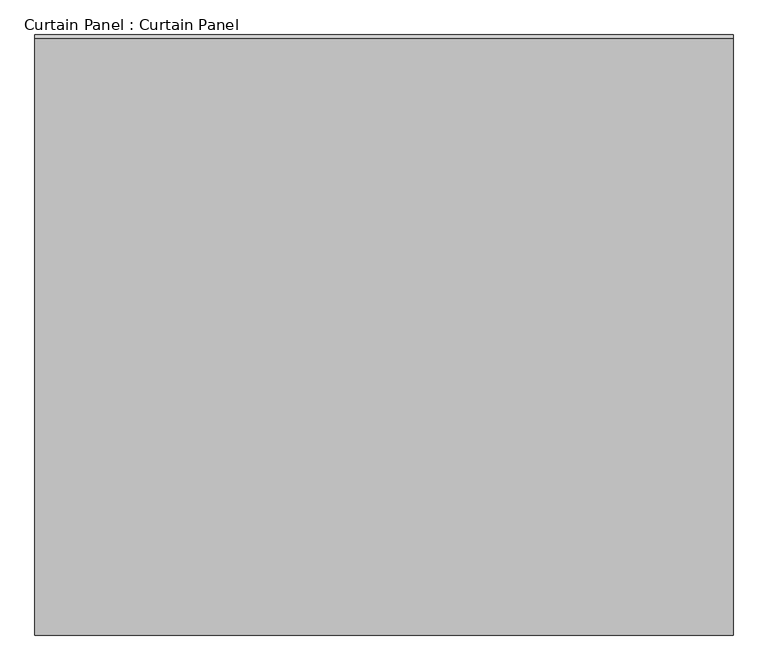
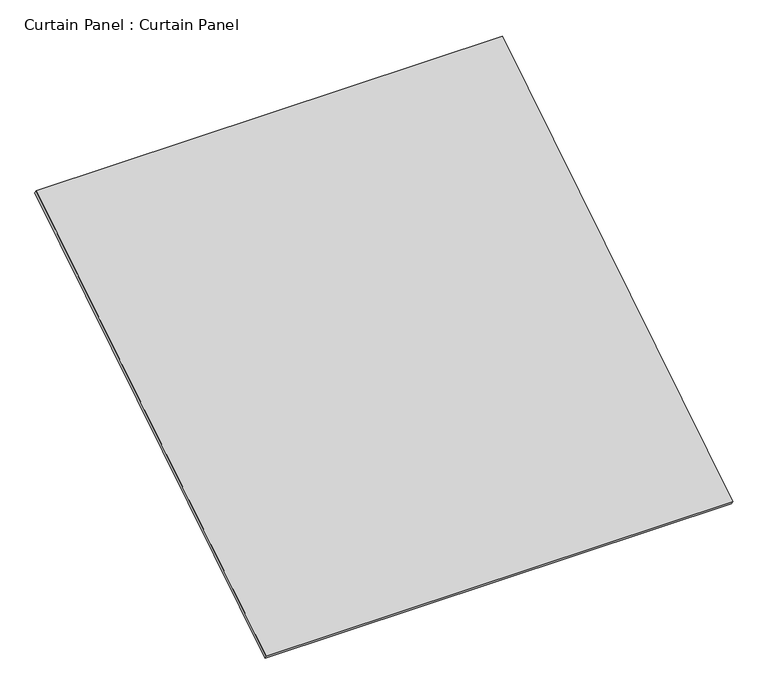
"""IFC4 building model written with IfcOpenShell, lengths in millimetres: plate geometry, Curtain Panel : Curtain Panel."""

import ifcopenshell
import ifcopenshell.guid

model = None  # the IFC model being written
_history = None  # IfcOwnerHistory: only IFC2X3 demands one
_inside = {}  # id of a spatial element -> (the spatial element, [elements in it])
_under = {}  # id of a project, library or spatial element -> (it, [spatial elements below it])
_declared = {}  # id of a project -> (the project, [libraries it declares])
_typed = {}  # id of a type object -> (the type object, [elements of that type])
_made_of = {}  # id of a material, layer set ... -> (it, [elements and type objects made of it])


def new_model(schema):
    """Start an empty IFC model of exactly this schema.

    Asked for "IFC4X3", IfcOpenShell would pick the latest addendum, in which some entities
    have other attributes; the version numbers below select the first issue.
    IFC2X3 requires an IfcOwnerHistory on every rooted entity: one is made here for all.
    """
    global model, _history
    if schema == "IFC4X3":
        model = ifcopenshell.file(schema_version=(4, 3, 0, 0))
    else:
        model = ifcopenshell.file(schema=schema)
    _inside.clear()
    _under.clear()
    _declared.clear()
    _typed.clear()
    _made_of.clear()
    _history = None
    if model.schema == "IFC2X3":
        org = make("IfcOrganization", Name="unknown")
        user = make(
            "IfcPersonAndOrganization",
            ThePerson=make("IfcPerson", FamilyName="unknown"),
            TheOrganization=org,
        )
        app = make(
            "IfcApplication",
            ApplicationDeveloper=org,
            Version="unknown",
            ApplicationFullName="unknown",
            ApplicationIdentifier="unknown",
        )
        _history = make(
            "IfcOwnerHistory",
            OwningUser=user,
            OwningApplication=app,
            ChangeAction="ADDED",
            CreationDate=0,
        )
    return model


def make(cls, **values):
    """One entity of the class cls with the attributes given. An attribute that is None is left unset."""
    return model.create_entity(
        cls, **{name: value for name, value in values.items() if value is not None}
    )


def rooted(cls, **values):
    """An entity with a GlobalId (a new one), such as an element, a storey or a relation."""
    return make(cls, GlobalId=ifcopenshell.guid.new(), OwnerHistory=_history, **values)


def si_unit(unit_type, name, prefix=None):
    """IfcSIUnit, for example si_unit("LENGTHUNIT", "METRE", prefix="MILLI")."""
    return make("IfcSIUnit", UnitType=unit_type, Prefix=prefix, Name=name)


def assignment(units):
    """IfcUnitAssignment: the units of a project."""
    return None if units is None else make("IfcUnitAssignment", Units=units)


def point(xyz):
    """IfcCartesianPoint."""
    return None if xyz is None else make("IfcCartesianPoint", Coordinates=xyz)


def direction(xyz):
    """IfcDirection."""
    return None if xyz is None else make("IfcDirection", DirectionRatios=xyz)


def frame(location, z_axis=None, x_axis=None):
    """IfcAxis2Placement3D, a coordinate frame: its origin and axes. An axis left out is left unset."""
    return make(
        "IfcAxis2Placement3D",
        Location=point(location),
        Axis=direction(z_axis),
        RefDirection=direction(x_axis),
    )


def origin():
    """The frame at (0, 0, 0) with its axes left unset."""
    return frame((0.0, 0.0, 0.0))


def place(relative_to, where):
    """IfcLocalPlacement: puts the frame where relative to a parent placement (None: the world)."""
    return make(
        "IfcLocalPlacement", PlacementRelTo=relative_to, RelativePlacement=where
    )


def context(
    kind, dimensions, precision=None, world=None, true_north=None, identifier=None
):
    """IfcGeometricRepresentationContext, for example the 3D "Model" context."""
    return make(
        "IfcGeometricRepresentationContext",
        ContextIdentifier=identifier,
        ContextType=kind,
        CoordinateSpaceDimension=dimensions,
        Precision=precision,
        WorldCoordinateSystem=world,
        TrueNorth=true_north,
    )


def project(units=None, contexts=None):
    """IfcProject with its units and contexts."""
    return rooted(
        "IfcProject",
        Name="project",
        RepresentationContexts=contexts,
        UnitsInContext=assignment(units),
    )


def spatial(cls, under=None, at=None, **own):
    """A site, building, storey or space (cls), placed at a placement, below another one or the project."""
    s = rooted(cls, ObjectPlacement=at, **own)
    if under is not None:
        _under.setdefault(under.id(), (under, []))[1].append(s)
    return s


def polyline(points):
    """IfcPolyline through the points."""
    return make("IfcPolyline", Points=[point(p) for p in points])


def outline(outer, holes=None, kind="AREA"):
    """IfcArbitraryClosedProfileDef: a profile drawn as a closed curve; with holes, ...WithVoids."""
    if holes is None:
        return make("IfcArbitraryClosedProfileDef", ProfileType=kind, OuterCurve=outer)
    return make(
        "IfcArbitraryProfileDefWithVoids",
        ProfileType=kind,
        OuterCurve=outer,
        InnerCurves=holes,
    )


def extrude(swept, where, along, depth):
    """IfcExtrudedAreaSolid: the profile swept, set in the frame where, extruded along a direction by depth."""
    return make(
        "IfcExtrudedAreaSolid",
        SweptArea=swept,
        Position=where,
        ExtrudedDirection=direction(along),
        Depth=depth,
    )


def shape(context_of_items, identifier, shape_type, items):
    """IfcShapeRepresentation: the items that make up one representation, for example the "Body"."""
    return make(
        "IfcShapeRepresentation",
        ContextOfItems=context_of_items,
        RepresentationIdentifier=identifier,
        RepresentationType=shape_type,
        Items=items,
    )


def source(mapping_origin, context_of_items, identifier, shape_type, items):
    """IfcRepresentationMap: a shape defined once, which mapped items show again and again."""
    return make(
        "IfcRepresentationMap",
        MappingOrigin=mapping_origin,
        MappedRepresentation=shape(context_of_items, identifier, shape_type, items),
    )


def transform(
    local_origin,
    x_axis=None,
    y_axis=None,
    z_axis=None,
    scale=None,
    scale2=None,
    scale3=None,
    uniform=True,
):
    """IfcCartesianTransformationOperator3D, or its non-uniform kind. x_axis, y_axis, z_axis: its Axis1, 2, 3."""
    if uniform:
        return make(
            "IfcCartesianTransformationOperator3D",
            Axis1=direction(x_axis),
            Axis2=direction(y_axis),
            LocalOrigin=point(local_origin),
            Scale=scale,
            Axis3=direction(z_axis),
        )
    return make(
        "IfcCartesianTransformationOperator3DnonUniform",
        Axis1=direction(x_axis),
        Axis2=direction(y_axis),
        LocalOrigin=point(local_origin),
        Scale=scale,
        Axis3=direction(z_axis),
        Scale2=scale2,
        Scale3=scale3,
    )


def mapped(mapping_source, mapping_target):
    """IfcMappedItem: shows the shape of a source again, moved by a transform."""
    return make(
        "IfcMappedItem", MappingSource=mapping_source, MappingTarget=mapping_target
    )


def made_of(thing, what):
    """Note that an element or type object is made of a material, layer set ...; save() writes the relation."""
    if what is not None:
        _made_of.setdefault(what.id(), (what, []))[1].append(thing)
    return thing


def element(
    cls,
    number,
    at=None,
    inside=None,
    cuts=None,
    type_object=None,
    material=None,
    context=None,
    identifier="Body",
    shape_type=None,
    held_by="IfcProductDefinitionShape",
    body=None,
    shapes=None,
    **own,
):
    """One element of the class cls, such as IfcWall. Its Tag is "e" and its number.

    at: its placement. inside: the storey or other place that contains it. cuts: it is an
    opening in that element (IfcRelVoidsElement). A single representation is given by context,
    identifier, shape_type and body (its items); several are given by shapes. held_by: the class
    of the entity that holds the representations. save() writes the other relations.
    """
    e = rooted(cls, Tag="e%d" % number, ObjectPlacement=at, **own)
    if body is not None:
        shapes = [shape(context, identifier, shape_type, body)]
    if shapes is not None:
        e.Representation = make(held_by, Representations=shapes)
    if inside is not None:
        _inside.setdefault(inside.id(), (inside, []))[1].append(e)
    if cuts is not None:
        rooted(
            "IfcRelVoidsElement", RelatingBuildingElement=cuts, RelatedOpeningElement=e
        )
    if type_object is not None:
        _typed.setdefault(type_object.id(), (type_object, []))[1].append(e)
    return made_of(e, material)


def aggregate(whole, parts):
    """IfcRelAggregates: a whole, such as a stair, and the parts it consists of."""
    return rooted("IfcRelAggregates", RelatingObject=whole, RelatedObjects=parts)


def save(model, path):
    """Write the relations noted so far, then the file.

    IfcRelAggregates (storeys below a building ...), IfcRelContainedInSpatialStructure (elements
    in a storey), IfcRelDefinesByType, IfcRelAssociatesMaterial and IfcRelDeclares: one each for
    every whole, place, type object, material and project.
    """
    for whole, parts in _under.values():
        aggregate(whole, parts)
    for where, things in _inside.values():
        rooted(
            "IfcRelContainedInSpatialStructure",
            RelatedElements=things,
            RelatingStructure=where,
        )
    for kind, things in _typed.values():
        rooted("IfcRelDefinesByType", RelatedObjects=things, RelatingType=kind)
    for what, things in _made_of.values():
        rooted("IfcRelAssociatesMaterial", RelatedObjects=things, RelatingMaterial=what)
    for by, libraries in _declared.values():
        rooted("IfcRelDeclares", RelatingContext=by, RelatedDefinitions=libraries)
    model.write(path)


def curtain_panel_curtain_panel_d9ecf6a3(model_context):
    return source(origin(), model_context, "Body", "SweptSolid", [
        extrude(outline(polyline([(-63.5, 0.0), (-63.5, -3013.1431887), (-3048.0, -3013.1431887), (-3048.0, 0.0), (-63.5, 0.0)])), frame((-126814.6430895, -1344.8655578, 8803.1614531), z_axis=(0.0, -0.5318918435658209, 0.8468122972348432), x_axis=(-1.0, 0.0, 0.0)), (0.0, 0.0, 1.0), 25.4),
    ])


if __name__ == "__main__":
    model = new_model("IFC4")
    model_context = context("Model", 3, world=origin())
    ifc_project = project(units=[si_unit("LENGTHUNIT", "METRE", prefix="MILLI")], contexts=[model_context])
    site = spatial("IfcSite", under=ifc_project)
    building = spatial("IfcBuilding", under=site)
    placement = place(None, origin())
    curtain_panel_curtain_panel_shape = curtain_panel_curtain_panel_d9ecf6a3(model_context)
    element("IfcPlate", 1, ObjectType="Curtain Panel : Curtain Panel", at=placement, inside=building, context=model_context, shape_type="MappedRepresentation", body=[
        mapped(curtain_panel_curtain_panel_shape, transform((0.0, 0.0, 0.0), x_axis=(1.0, 0.0, 0.0), y_axis=(0.0, 1.0, 0.0), z_axis=(0.0, 0.0, 1.0))),
    ])
    save(model, "model.ifc")
